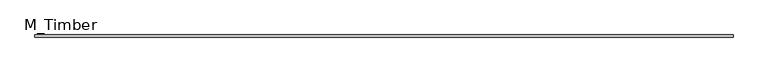
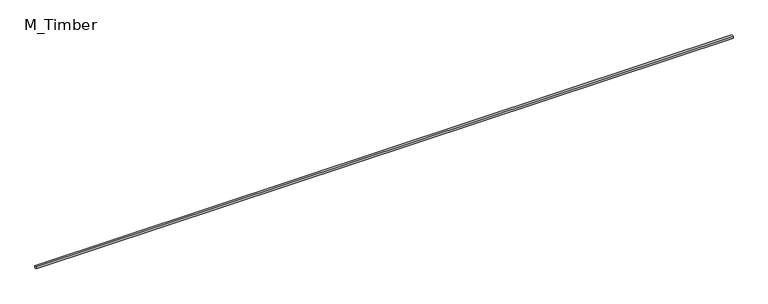
"""IFC4 building model written with IfcOpenShell, lengths in millimetres: beam geometry, M_Timber."""

from ifc_helpers import new_model, si_unit, frame, origin, place, context, project, spatial, polyline, outline, extrude, source, transform, mapped, element, save


def m_timber_a3fe0042(model_context):
    return source(origin(), model_context, "Body", "SweptSolid", [
        extrude(outline(polyline([(6432.4868384, 20.0), (6432.4868384, -20.0), (-6432.4868384, -20.0), (-6432.4868384, 20.0), (6432.4868384, 20.0)])), frame((0.0, 0.0, -20.0), z_axis=(0.0, 0.0, 1.0), x_axis=(1.0, 0.0, 0.0)), (0.0, 0.0, 1.0), 40.0),
    ])


if __name__ == "__main__":
    model = new_model("IFC4")
    model_context = context("Model", 3, world=origin())
    ifc_project = project(units=[si_unit("LENGTHUNIT", "METRE", prefix="MILLI")], contexts=[model_context])
    site = spatial("IfcSite", under=ifc_project)
    building = spatial("IfcBuilding", under=site)
    placement = place(None, origin())
    m_timber_shape = m_timber_a3fe0042(model_context)
    element("IfcBeam", 1, ObjectType="M_Timber", at=placement, inside=building, context=model_context, shape_type="MappedRepresentation", body=[
        mapped(m_timber_shape, transform((0.0, 0.0, 0.0), x_axis=(1.0, 0.0, 0.0), y_axis=(0.0, 1.0, 0.0), z_axis=(0.0, 0.0, 1.0))),
    ])
    save(model, "model.ifc")
